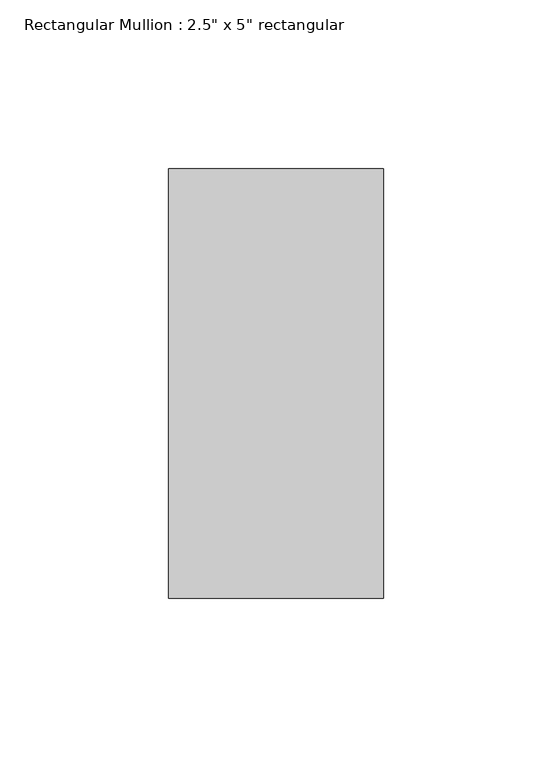
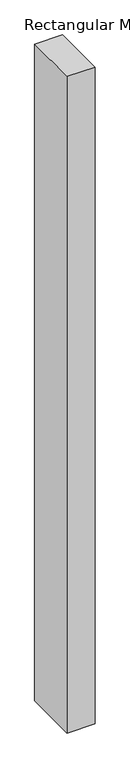
"""IFC4 building model written with IfcOpenShell, lengths in millimetres: member geometry."""

from ifc_helpers import new_model, si_unit, frame, origin, place, context, project, spatial, polyline, outline, extrude, source, transform, mapped, element, save


def member_6ce1ec76(model_context):
    return source(origin(), model_context, "Body", "SweptSolid", [
        extrude(outline(polyline([(0.0, 63.5), (0.0, -63.5), (-63.5, -63.5), (-63.5, 63.5), (0.0, 63.5)])), frame((0.0, 0.0, -1574.8), z_axis=(0.0, 0.0, 1.0), x_axis=(1.0, 0.0, 0.0)), (0.0, 0.0, 1.0), 1574.8),
    ])


if __name__ == "__main__":
    model = new_model("IFC4")
    model_context = context("Model", 3, world=origin())
    ifc_project = project(units=[si_unit("LENGTHUNIT", "METRE", prefix="MILLI")], contexts=[model_context])
    site = spatial("IfcSite", under=ifc_project)
    building = spatial("IfcBuilding", under=site)
    placement = place(None, origin())
    member_shape = member_6ce1ec76(model_context)
    element("IfcMember", 1, ObjectType="Rectangular Mullion : 2.5\" x 5\" rectangular", at=placement, inside=building, context=model_context, shape_type="MappedRepresentation", body=[
        mapped(member_shape, transform((0.0, 0.0, 0.0), x_axis=(1.0, 0.0, 0.0), y_axis=(0.0, 1.0, 0.0), z_axis=(0.0, 0.0, 1.0))),
    ])
    save(model, "model.ifc")
